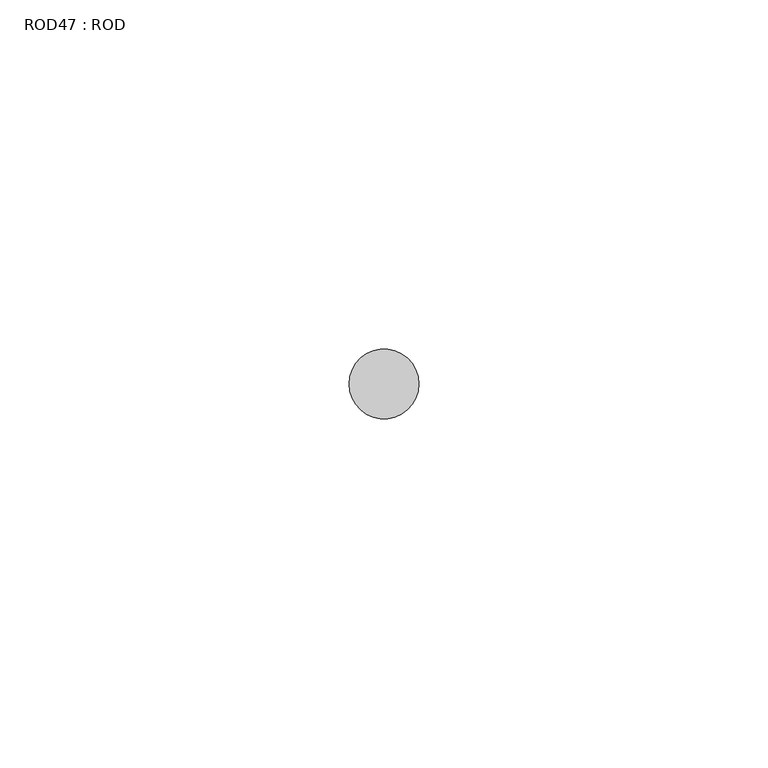
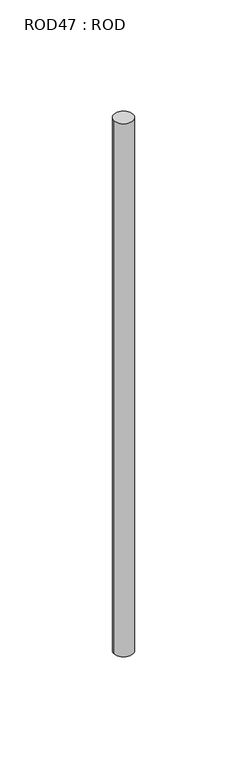
"""IFC4 building model written with IfcOpenShell, lengths in millimetres: proxy geometry, ROD47 : ROD."""

from ifc_helpers import new_model, si_unit, point, frame, frame_2d, origin, place, context, project, spatial, circle_curve, trimmed, segment, composite_curve, outline, extrude, source, transform, mapped, element, save


def rod47_rod_c01c8b78(model_context):
    return source(origin(), model_context, "Body", "SweptSolid", [
        extrude(outline(composite_curve([segment(trimmed(circle_curve(frame_2d((3379.7673324, -1114.6300853)), 5.0), [point((3374.7673324, -1114.6300853))], [point((3384.7673324, -1114.6300853))], False, "CARTESIAN"), True, "CONTINUOUS"), segment(trimmed(circle_curve(frame_2d((3379.7673324, -1114.6300853)), 5.0), [point((3384.7673324, -1114.6300853))], [point((3374.7673324, -1114.6300853))], False, "CARTESIAN"), True, "CONTINUOUS")], self_intersect=False)), frame((0.0, 0.0, -208.6608845), z_axis=(0.0, 0.0, 1.0), x_axis=(1.0, 0.0, 0.0)), (0.0, 0.0, 1.0), 298.9028972),
    ])


if __name__ == "__main__":
    model = new_model("IFC4")
    model_context = context("Model", 3, world=origin())
    ifc_project = project(units=[si_unit("LENGTHUNIT", "METRE", prefix="MILLI")], contexts=[model_context])
    site = spatial("IfcSite", under=ifc_project)
    building = spatial("IfcBuilding", under=site)
    placement = place(None, origin())
    rod47_rod_shape = rod47_rod_c01c8b78(model_context)
    element("IfcBuildingElementProxy", 1, Name="ROD47 : ROD", ObjectType="ROD47 : ROD", at=placement, inside=building, context=model_context, shape_type="MappedRepresentation", body=[
        mapped(rod47_rod_shape, transform((0.0, 0.0, 0.0), x_axis=(1.0, 0.0, 0.0), y_axis=(0.0, 1.0, 0.0), z_axis=(0.0, 0.0, 1.0))),
    ])
    save(model, "model.ifc")
